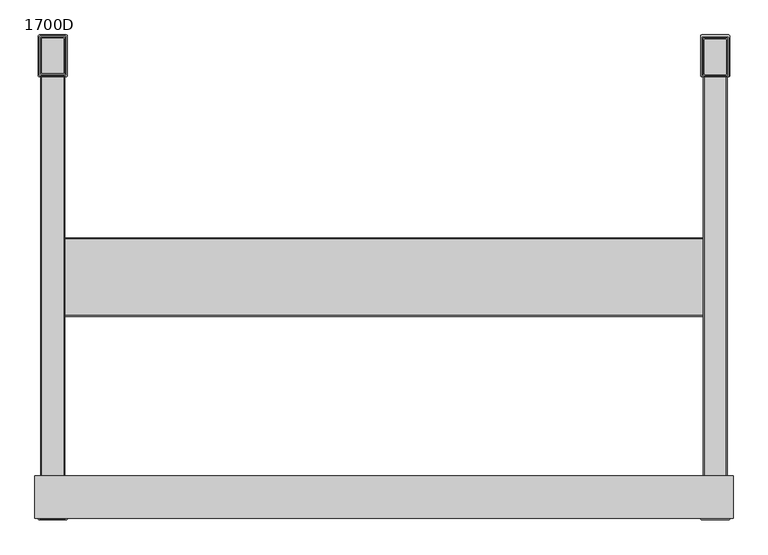
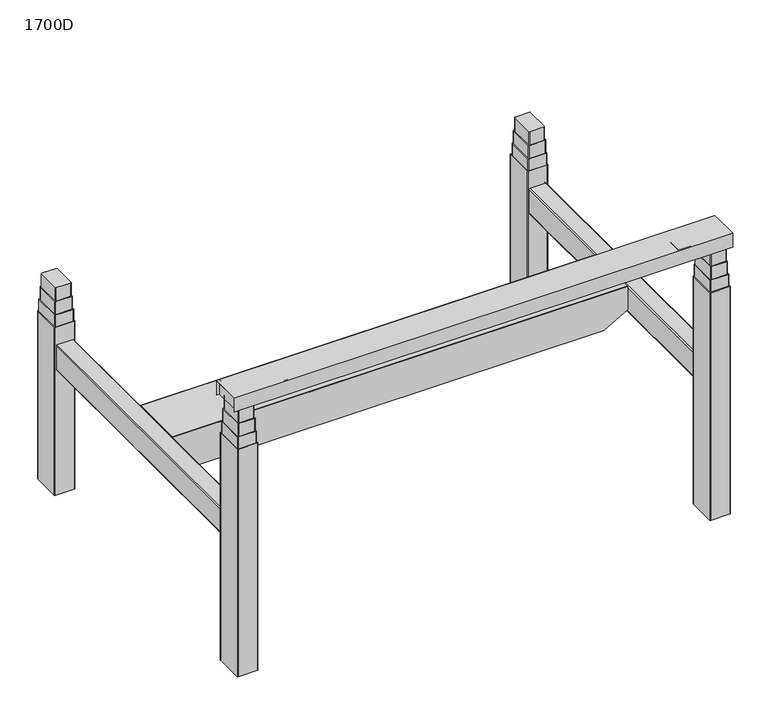
"""IFC4 building model written with IfcOpenShell, lengths in millimetres: furniture geometry, 1700D."""

from ifc_helpers import new_model, si_unit, point, frame, frame_2d, origin, origin_with_axes, place, context, project, spatial, polyline, circle_curve, ellipse_curve, trimmed, segment, composite_curve, outline, extrude, source, transform, mapped, element, save
from ifc_brep_helpers import plane_surface, cylinder_surface, revolved_surface, advanced_brep


def furniture_1700d_5d638f03(model_context):
    return source(origin(), model_context, "Body", "SolidModel", [
        extrude(outline(composite_curve([segment(trimmed(circle_curve(frame_2d((728.3996317, 462.4319041)), 2.0), [point((728.3996317, 460.4319041))], [point((726.3996317, 462.4319041))], False, "CARTESIAN"), True, "CONTINUOUS"), segment(polyline([(726.3996317, 462.4319041), (726.3996317, 538.4320598)]), True, "CONTINUOUS"), segment(trimmed(circle_curve(frame_2d((728.3996317, 538.4320598)), 2.0), [point((726.3996317, 538.4320598))], [point((728.3996317, 540.4320598))], False, "CARTESIAN"), True, "CONTINUOUS"), segment(polyline([(728.3996317, 540.4320598), (774.3996805, 540.4320598)]), True, "CONTINUOUS"), segment(trimmed(circle_curve(frame_2d((774.3996805, 538.4320598)), 2.0), [point((774.3996805, 540.4320598))], [point((776.3996805, 538.4320598))], False, "CARTESIAN"), True, "CONTINUOUS"), segment(polyline([(776.3996805, 538.4320598), (776.3996805, 462.4319041)]), True, "CONTINUOUS"), segment(trimmed(circle_curve(frame_2d((774.3996805, 462.4319041)), 2.0), [point((776.3996805, 462.4319041))], [point((774.3996805, 460.4319041))], False, "CARTESIAN"), True, "CONTINUOUS"), segment(polyline([(774.3996805, 460.4319041), (728.3996317, 460.4319041)]), True, "CONTINUOUS")], self_intersect=False)), frame((0.0, 0.0, 646.4791092), z_axis=(0.0, 0.0, 1.0), x_axis=(1.0, 0.0, 0.0)), (0.0, 0.0, 1.0), 45.0256334),
        extrude(outline(composite_curve([segment(polyline([(-728.3996317, 462.8319041), (-774.3996805, 462.8319041)]), True, "CONTINUOUS"), segment(trimmed(circle_curve(frame_2d((-774.3996805, 464.8319041)), 2.0), [point((-774.3996805, 462.8319041))], [point((-776.3996805, 464.8319041))], False, "CARTESIAN"), True, "CONTINUOUS"), segment(polyline([(-776.3996805, 464.8319041), (-776.3996805, 540.8320598)]), True, "CONTINUOUS"), segment(trimmed(circle_curve(frame_2d((-774.3996805, 540.8320598)), 2.0), [point((-776.3996805, 540.8320598))], [point((-774.3996805, 542.8320598))], False, "CARTESIAN"), True, "CONTINUOUS"), segment(polyline([(-774.3996805, 542.8320598), (-728.3996317, 542.8320598)]), True, "CONTINUOUS"), segment(trimmed(circle_curve(frame_2d((-728.3996317, 540.8320598)), 2.0), [point((-728.3996317, 542.8320598))], [point((-726.3996317, 540.8320598))], False, "CARTESIAN"), True, "CONTINUOUS"), segment(polyline([(-726.3996317, 540.8320598), (-726.3996317, 464.8319041)]), True, "CONTINUOUS"), segment(trimmed(circle_curve(frame_2d((-728.3996317, 464.8319041)), 2.0), [point((-726.3996317, 464.8319041))], [point((-728.3996317, 462.8319041))], False, "CARTESIAN"), True, "CONTINUOUS")], self_intersect=False)), frame((0.0, 0.0, 646.4791092), z_axis=(0.0, 0.0, 1.0), x_axis=(1.0, 0.0, 0.0)), (0.0, 0.0, 1.0), 45.0256334),
        extrude(outline(composite_curve([segment(trimmed(circle_curve(frame_2d((725.8974588, 459.9312816)), 2.0), [point((725.8974588, 457.9312816))], [point((723.8974588, 459.9312816))], False, "CARTESIAN"), True, "CONTINUOUS"), segment(polyline([(723.8974588, 459.9312816), (723.8974588, 540.9307445)]), True, "CONTINUOUS"), segment(trimmed(circle_curve(frame_2d((725.8974588, 540.9307445)), 2.0), [point((723.8974588, 540.9307445))], [point((725.8974588, 542.9307445))], False, "CARTESIAN"), True, "CONTINUOUS"), segment(polyline([(725.8974588, 542.9307445), (776.8984985, 542.9307445)]), True, "CONTINUOUS"), segment(trimmed(circle_curve(frame_2d((776.8984985, 540.9307445)), 2.0), [point((776.8984985, 542.9307445))], [point((778.8984985, 540.9307445))], False, "CARTESIAN"), True, "CONTINUOUS"), segment(polyline([(778.8984985, 540.9307445), (778.8984985, 459.9312816)]), True, "CONTINUOUS"), segment(trimmed(circle_curve(frame_2d((776.8984985, 459.9312816)), 2.0), [point((778.8984985, 459.9312816))], [point((776.8984985, 457.9312816))], False, "CARTESIAN"), True, "CONTINUOUS"), segment(polyline([(776.8984985, 457.9312816), (725.8974588, 457.9312816)]), True, "CONTINUOUS")], self_intersect=False)), frame((0.0, 0.0, 603.4550737), z_axis=(0.0, 0.0, 1.0), x_axis=(1.0, 0.0, 0.0)), (0.0, 0.0, 1.0), 43.0240355),
        extrude(outline(composite_curve([segment(polyline([(-725.8974588, 460.3312816), (-776.8973977, 460.3312816)]), True, "CONTINUOUS"), segment(trimmed(circle_curve(frame_2d((-776.8973977, 462.3312816)), 2.0), [point((-776.8973977, 460.3312816))], [point((-778.8973977, 462.3312816))], False, "CARTESIAN"), True, "CONTINUOUS"), segment(polyline([(-778.8973977, 462.3312816), (-778.8973977, 543.3307445)]), True, "CONTINUOUS"), segment(trimmed(circle_curve(frame_2d((-776.8973977, 543.3307445)), 2.0), [point((-778.8973977, 543.3307445))], [point((-776.8973977, 545.3307445))], False, "CARTESIAN"), True, "CONTINUOUS"), segment(polyline([(-776.8973977, 545.3307445), (-725.8974588, 545.3307445)]), True, "CONTINUOUS"), segment(trimmed(circle_curve(frame_2d((-725.8974588, 543.3307445)), 2.0), [point((-725.8974588, 545.3307445))], [point((-723.8974588, 543.3307445))], False, "CARTESIAN"), True, "CONTINUOUS"), segment(polyline([(-723.8974588, 543.3307445), (-723.8974588, 462.3312816)]), True, "CONTINUOUS"), segment(trimmed(circle_curve(frame_2d((-725.8974588, 462.3312816)), 2.0), [point((-723.8974588, 462.3312816))], [point((-725.8974588, 460.3312816))], False, "CARTESIAN"), True, "CONTINUOUS")], self_intersect=False)), frame((0.0, 0.0, 603.4550737), z_axis=(0.0, 0.0, 1.0), x_axis=(1.0, 0.0, 0.0)), (0.0, 0.0, 1.0), 43.0240355),
        extrude(outline(composite_curve([segment(trimmed(circle_curve(frame_2d((723.3983866, 457.5376292)), 2.0), [point((723.3983866, 455.5376292))], [point((721.3983866, 457.5376292))], False, "CARTESIAN"), True, "CONTINUOUS"), segment(polyline([(721.3983866, 457.5376292), (721.3983866, 543.3794322)]), True, "CONTINUOUS"), segment(trimmed(circle_curve(frame_2d((723.3983866, 543.3794322)), 2.0), [point((721.3983866, 543.3794322))], [point((723.3983866, 545.3794322))], False, "CARTESIAN"), True, "CONTINUOUS"), segment(polyline([(723.3983866, 545.3794322), (779.4132014, 545.3794322)]), True, "CONTINUOUS"), segment(trimmed(circle_curve(frame_2d((779.4132014, 543.3794322)), 2.0), [point((779.4132014, 545.3794322))], [point((781.4132014, 543.3794322))], False, "CARTESIAN"), True, "CONTINUOUS"), segment(polyline([(781.4132014, 543.3794322), (781.4132014, 457.5376292)]), True, "CONTINUOUS"), segment(trimmed(circle_curve(frame_2d((779.4132014, 457.5376292)), 2.0), [point((781.4132014, 457.5376292))], [point((779.4132014, 455.5376292))], False, "CARTESIAN"), True, "CONTINUOUS"), segment(polyline([(779.4132014, 455.5376292), (723.3983866, 455.5376292)]), True, "CONTINUOUS")], self_intersect=False)), frame((0.0, 0.0, 564.2068252), z_axis=(0.0, 0.0, 1.0), x_axis=(1.0, 0.0, 0.0)), (0.0, 0.0, 1.0), 39.2482485),
        extrude(outline(composite_curve([segment(polyline([(-723.3983866, 457.9376292), (-779.4114566, 457.9376292)]), True, "CONTINUOUS"), segment(trimmed(circle_curve(frame_2d((-779.4114566, 459.9376292)), 2.0), [point((-779.4114566, 457.9376292))], [point((-781.4114566, 459.9376292))], False, "CARTESIAN"), True, "CONTINUOUS"), segment(polyline([(-781.4114566, 459.9376292), (-781.4114566, 545.9352367)]), True, "CONTINUOUS"), segment(trimmed(circle_curve(frame_2d((-779.4114566, 545.9352367)), 2.0), [point((-781.4114566, 545.9352367))], [point((-779.4114566, 547.9352367))], False, "CARTESIAN"), True, "CONTINUOUS"), segment(polyline([(-779.4114566, 547.9352367), (-723.3983866, 547.9352367)]), True, "CONTINUOUS"), segment(trimmed(circle_curve(frame_2d((-723.3983866, 545.9352367)), 2.0), [point((-723.3983866, 547.9352367))], [point((-721.3983866, 545.9352367))], False, "CARTESIAN"), True, "CONTINUOUS"), segment(polyline([(-721.3983866, 545.9352367), (-721.3983866, 459.9376292)]), True, "CONTINUOUS"), segment(trimmed(circle_curve(frame_2d((-723.3983866, 459.9376292)), 2.0), [point((-721.3983866, 459.9376292))], [point((-723.3983866, 457.9376292))], False, "CARTESIAN"), True, "CONTINUOUS")], self_intersect=False)), frame((0.0, 0.0, 564.2068252), z_axis=(0.0, 0.0, 1.0), x_axis=(1.0, 0.0, 0.0)), (0.0, 0.0, 1.0), 39.2482485),
        extrude(outline(composite_curve([segment(trimmed(circle_curve(frame_2d((720.5708642, 457.3327495)), 2.0), [point((720.5708642, 455.3327495))], [point((718.5708642, 457.3327495))], False, "CARTESIAN"), True, "CONTINUOUS"), segment(polyline([(718.5708642, 457.3327495), (718.5708642, 548.2883848)]), True, "CONTINUOUS"), segment(trimmed(circle_curve(frame_2d((720.5708642, 548.2883848)), 2.0), [point((718.5708642, 548.2883848))], [point((720.5708642, 550.2883848))], False, "CARTESIAN"), True, "CONTINUOUS"), segment(polyline([(720.5708642, 550.2883848), (781.577537, 550.2883848)]), True, "CONTINUOUS"), segment(trimmed(circle_curve(frame_2d((781.577537, 548.2883848)), 2.0), [point((781.577537, 550.2883848))], [point((783.577537, 548.2883848))], False, "CARTESIAN"), True, "CONTINUOUS"), segment(polyline([(783.577537, 548.2883848), (783.577537, 457.3327495)]), True, "CONTINUOUS"), segment(trimmed(circle_curve(frame_2d((781.577537, 457.3327495)), 2.0), [point((783.577537, 457.3327495))], [point((781.577537, 455.3327495))], False, "CARTESIAN"), True, "CONTINUOUS"), segment(polyline([(781.577537, 455.3327495), (720.5708642, 455.3327495)]), True, "CONTINUOUS")], self_intersect=False)), origin_with_axes(), (0.0, 0.0, 1.0), 564.2068252),
        extrude(outline(composite_curve([segment(polyline([(-720.5708642, 455.3327495), (-781.577537, 455.3327495)]), True, "CONTINUOUS"), segment(trimmed(circle_curve(frame_2d((-781.577537, 457.3327495)), 2.0), [point((-781.577537, 455.3327495))], [point((-783.577537, 457.3327495))], False, "CARTESIAN"), True, "CONTINUOUS"), segment(polyline([(-783.577537, 457.3327495), (-783.577537, 548.2883848)]), True, "CONTINUOUS"), segment(trimmed(circle_curve(frame_2d((-781.577537, 548.2883848)), 2.0), [point((-783.577537, 548.2883848))], [point((-781.577537, 550.2883848))], False, "CARTESIAN"), True, "CONTINUOUS"), segment(polyline([(-781.577537, 550.2883848), (-720.5708642, 550.2883848)]), True, "CONTINUOUS"), segment(trimmed(circle_curve(frame_2d((-720.5708642, 548.2883848)), 2.0), [point((-720.5708642, 550.2883848))], [point((-718.5708642, 548.2883848))], False, "CARTESIAN"), True, "CONTINUOUS"), segment(polyline([(-718.5708642, 548.2883848), (-718.5708642, 457.3327495)]), True, "CONTINUOUS"), segment(trimmed(circle_curve(frame_2d((-720.5708642, 457.3327495)), 2.0), [point((-718.5708642, 457.3327495))], [point((-720.5708642, 455.3327495))], False, "CARTESIAN"), True, "CONTINUOUS")], self_intersect=False)), origin_with_axes(), (0.0, 0.0, 1.0), 564.2068252),
        extrude(outline(composite_curve([segment(trimmed(circle_curve(frame_2d((-728.3996317, -464.8319041)), 2.0), [point((-728.3996317, -462.8319041))], [point((-726.3996317, -464.8319041))], False, "CARTESIAN"), True, "CONTINUOUS"), segment(polyline([(-726.3996317, -464.8319041), (-726.3996317, -540.8320598)]), True, "CONTINUOUS"), segment(trimmed(circle_curve(frame_2d((-728.3996317, -540.8320598)), 2.0), [point((-726.3996317, -540.8320598))], [point((-728.3996317, -542.8320598))], False, "CARTESIAN"), True, "CONTINUOUS"), segment(polyline([(-728.3996317, -542.8320598), (-774.3996805, -542.8320598)]), True, "CONTINUOUS"), segment(trimmed(circle_curve(frame_2d((-774.3996805, -540.8320598)), 2.0), [point((-774.3996805, -542.8320598))], [point((-776.3996805, -540.8320598))], False, "CARTESIAN"), True, "CONTINUOUS"), segment(polyline([(-776.3996805, -540.8320598), (-776.3996805, -464.8319041)]), True, "CONTINUOUS"), segment(trimmed(circle_curve(frame_2d((-774.3996805, -464.8319041)), 2.0), [point((-776.3996805, -464.8319041))], [point((-774.3996805, -462.8319041))], False, "CARTESIAN"), True, "CONTINUOUS"), segment(polyline([(-774.3996805, -462.8319041), (-728.3996317, -462.8319041)]), True, "CONTINUOUS")], self_intersect=False)), frame((0.0, 0.0, 846.4791092), z_axis=(0.0, 0.0, 1.0), x_axis=(1.0, 0.0, 0.0)), (0.0, 0.0, 1.0), 45.0256334),
        extrude(outline(composite_curve([segment(polyline([(728.3996317, -460.4319041), (774.3996805, -460.4319041)]), True, "CONTINUOUS"), segment(trimmed(circle_curve(frame_2d((774.3996805, -462.4319041)), 2.0), [point((774.3996805, -460.4319041))], [point((776.3996805, -462.4319041))], False, "CARTESIAN"), True, "CONTINUOUS"), segment(polyline([(776.3996805, -462.4319041), (776.3996805, -538.4320598)]), True, "CONTINUOUS"), segment(trimmed(circle_curve(frame_2d((774.3996805, -538.4320598)), 2.0), [point((776.3996805, -538.4320598))], [point((774.3996805, -540.4320598))], False, "CARTESIAN"), True, "CONTINUOUS"), segment(polyline([(774.3996805, -540.4320598), (728.3996317, -540.4320598)]), True, "CONTINUOUS"), segment(trimmed(circle_curve(frame_2d((728.3996317, -538.4320598)), 2.0), [point((728.3996317, -540.4320598))], [point((726.3996317, -538.4320598))], False, "CARTESIAN"), True, "CONTINUOUS"), segment(polyline([(726.3996317, -538.4320598), (726.3996317, -462.4319041)]), True, "CONTINUOUS"), segment(trimmed(circle_curve(frame_2d((728.3996317, -462.4319041)), 2.0), [point((726.3996317, -462.4319041))], [point((728.3996317, -460.4319041))], False, "CARTESIAN"), True, "CONTINUOUS")], self_intersect=False)), frame((0.0, 0.0, 846.4791092), z_axis=(0.0, 0.0, 1.0), x_axis=(1.0, 0.0, 0.0)), (0.0, 0.0, 1.0), 45.0256334),
        extrude(outline(composite_curve([segment(polyline([(725.8974588, -457.9312816), (776.8984985, -457.9312816)]), True, "CONTINUOUS"), segment(trimmed(circle_curve(frame_2d((776.8984985, -459.9312816)), 2.0), [point((776.8984985, -457.9312816))], [point((778.8984985, -459.9312816))], False, "CARTESIAN"), True, "CONTINUOUS"), segment(polyline([(778.8984985, -459.9312816), (778.8984985, -540.9307445)]), True, "CONTINUOUS"), segment(trimmed(circle_curve(frame_2d((776.8984985, -540.9307445)), 2.0), [point((778.8984985, -540.9307445))], [point((776.8984985, -542.9307445))], False, "CARTESIAN"), True, "CONTINUOUS"), segment(polyline([(776.8984985, -542.9307445), (725.8974588, -542.9307445)]), True, "CONTINUOUS"), segment(trimmed(circle_curve(frame_2d((725.8974588, -540.9307445)), 2.0), [point((725.8974588, -542.9307445))], [point((723.8974588, -540.9307445))], False, "CARTESIAN"), True, "CONTINUOUS"), segment(polyline([(723.8974588, -540.9307445), (723.8974588, -459.9312816)]), True, "CONTINUOUS"), segment(trimmed(circle_curve(frame_2d((725.8974588, -459.9312816)), 2.0), [point((723.8974588, -459.9312816))], [point((725.8974588, -457.9312816))], False, "CARTESIAN"), True, "CONTINUOUS")], self_intersect=False)), frame((0.0, 0.0, 803.4550737), z_axis=(0.0, 0.0, 1.0), x_axis=(1.0, 0.0, 0.0)), (0.0, 0.0, 1.0), 43.0240355),
        extrude(outline(composite_curve([segment(trimmed(circle_curve(frame_2d((-725.8974588, -462.3312816)), 2.0), [point((-725.8974588, -460.3312816))], [point((-723.8974588, -462.3312816))], False, "CARTESIAN"), True, "CONTINUOUS"), segment(polyline([(-723.8974588, -462.3312816), (-723.8974588, -543.3307445)]), True, "CONTINUOUS"), segment(trimmed(circle_curve(frame_2d((-725.8974588, -543.3307445)), 2.0), [point((-723.8974588, -543.3307445))], [point((-725.8974588, -545.3307445))], False, "CARTESIAN"), True, "CONTINUOUS"), segment(polyline([(-725.8974588, -545.3307445), (-776.8973977, -545.3307445)]), True, "CONTINUOUS"), segment(trimmed(circle_curve(frame_2d((-776.8973977, -543.3307445)), 2.0), [point((-776.8973977, -545.3307445))], [point((-778.8973977, -543.3307445))], False, "CARTESIAN"), True, "CONTINUOUS"), segment(polyline([(-778.8973977, -543.3307445), (-778.8973977, -462.3312816)]), True, "CONTINUOUS"), segment(trimmed(circle_curve(frame_2d((-776.8973977, -462.3312816)), 2.0), [point((-778.8973977, -462.3312816))], [point((-776.8973977, -460.3312816))], False, "CARTESIAN"), True, "CONTINUOUS"), segment(polyline([(-776.8973977, -460.3312816), (-725.8974588, -460.3312816)]), True, "CONTINUOUS")], self_intersect=False)), frame((0.0, 0.0, 803.4550737), z_axis=(0.0, 0.0, 1.0), x_axis=(1.0, 0.0, 0.0)), (0.0, 0.0, 1.0), 43.0240355),
        extrude(outline(composite_curve([segment(polyline([(723.3983866, -455.5376292), (779.4132014, -455.5376292)]), True, "CONTINUOUS"), segment(trimmed(circle_curve(frame_2d((779.4132014, -457.5376292)), 2.0), [point((779.4132014, -455.5376292))], [point((781.4132014, -457.5376292))], False, "CARTESIAN"), True, "CONTINUOUS"), segment(polyline([(781.4132014, -457.5376292), (781.4132014, -543.3794322)]), True, "CONTINUOUS"), segment(trimmed(circle_curve(frame_2d((779.4132014, -543.3794322)), 2.0), [point((781.4132014, -543.3794322))], [point((779.4132014, -545.3794322))], False, "CARTESIAN"), True, "CONTINUOUS"), segment(polyline([(779.4132014, -545.3794322), (723.3983866, -545.3794322)]), True, "CONTINUOUS"), segment(trimmed(circle_curve(frame_2d((723.3983866, -543.3794322)), 2.0), [point((723.3983866, -545.3794322))], [point((721.3983866, -543.3794322))], False, "CARTESIAN"), True, "CONTINUOUS"), segment(polyline([(721.3983866, -543.3794322), (721.3983866, -457.5376292)]), True, "CONTINUOUS"), segment(trimmed(circle_curve(frame_2d((723.3983866, -457.5376292)), 2.0), [point((721.3983866, -457.5376292))], [point((723.3983866, -455.5376292))], False, "CARTESIAN"), True, "CONTINUOUS")], self_intersect=False)), frame((0.0, 0.0, 764.2068252), z_axis=(0.0, 0.0, 1.0), x_axis=(1.0, 0.0, 0.0)), (0.0, 0.0, 1.0), 39.2482485),
        extrude(outline(composite_curve([segment(trimmed(circle_curve(frame_2d((-723.3983866, -459.9376292)), 2.0), [point((-723.3983866, -457.9376292))], [point((-721.3983866, -459.9376292))], False, "CARTESIAN"), True, "CONTINUOUS"), segment(polyline([(-721.3983866, -459.9376292), (-721.3983866, -545.9352367)]), True, "CONTINUOUS"), segment(trimmed(circle_curve(frame_2d((-723.3983866, -545.9352367)), 2.0), [point((-721.3983866, -545.9352367))], [point((-723.3983866, -547.9352367))], False, "CARTESIAN"), True, "CONTINUOUS"), segment(polyline([(-723.3983866, -547.9352367), (-779.4114566, -547.9352367)]), True, "CONTINUOUS"), segment(trimmed(circle_curve(frame_2d((-779.4114566, -545.9352367)), 2.0), [point((-779.4114566, -547.9352367))], [point((-781.4114566, -545.9352367))], False, "CARTESIAN"), True, "CONTINUOUS"), segment(polyline([(-781.4114566, -545.9352367), (-781.4114566, -459.9376292)]), True, "CONTINUOUS"), segment(trimmed(circle_curve(frame_2d((-779.4114566, -459.9376292)), 2.0), [point((-781.4114566, -459.9376292))], [point((-779.4114566, -457.9376292))], False, "CARTESIAN"), True, "CONTINUOUS"), segment(polyline([(-779.4114566, -457.9376292), (-723.3983866, -457.9376292)]), True, "CONTINUOUS")], self_intersect=False)), frame((0.0, 0.0, 764.2068252), z_axis=(0.0, 0.0, 1.0), x_axis=(1.0, 0.0, 0.0)), (0.0, 0.0, 1.0), 39.2482485),
        extrude(outline(composite_curve([segment(trimmed(circle_curve(frame_2d((-720.5708642, -457.3327495)), 2.0), [point((-720.5708642, -455.3327495))], [point((-718.5708642, -457.3327495))], False, "CARTESIAN"), True, "CONTINUOUS"), segment(polyline([(-718.5708642, -457.3327495), (-718.5708642, -548.2883848)]), True, "CONTINUOUS"), segment(trimmed(circle_curve(frame_2d((-720.5708642, -548.2883848)), 2.0), [point((-718.5708642, -548.2883848))], [point((-720.5708642, -550.2883848))], False, "CARTESIAN"), True, "CONTINUOUS"), segment(polyline([(-720.5708642, -550.2883848), (-781.577537, -550.2883848)]), True, "CONTINUOUS"), segment(trimmed(circle_curve(frame_2d((-781.577537, -548.2883848)), 2.0), [point((-781.577537, -550.2883848))], [point((-783.577537, -548.2883848))], False, "CARTESIAN"), True, "CONTINUOUS"), segment(polyline([(-783.577537, -548.2883848), (-783.577537, -457.3327495)]), True, "CONTINUOUS"), segment(trimmed(circle_curve(frame_2d((-781.577537, -457.3327495)), 2.0), [point((-783.577537, -457.3327495))], [point((-781.577537, -455.3327495))], False, "CARTESIAN"), True, "CONTINUOUS"), segment(polyline([(-781.577537, -455.3327495), (-720.5708642, -455.3327495)]), True, "CONTINUOUS")], self_intersect=False)), origin_with_axes(), (0.0, 0.0, 1.0), 764.2068252),
        extrude(outline(composite_curve([segment(polyline([(720.5708642, -455.3327495), (781.577537, -455.3327495)]), True, "CONTINUOUS"), segment(trimmed(circle_curve(frame_2d((781.577537, -457.3327495)), 2.0), [point((781.577537, -455.3327495))], [point((783.577537, -457.3327495))], False, "CARTESIAN"), True, "CONTINUOUS"), segment(polyline([(783.577537, -457.3327495), (783.577537, -548.2883848)]), True, "CONTINUOUS"), segment(trimmed(circle_curve(frame_2d((781.577537, -548.2883848)), 2.0), [point((783.577537, -548.2883848))], [point((781.577537, -550.2883848))], False, "CARTESIAN"), True, "CONTINUOUS"), segment(polyline([(781.577537, -550.2883848), (720.5708642, -550.2883848)]), True, "CONTINUOUS"), segment(trimmed(circle_curve(frame_2d((720.5708642, -548.2883848)), 2.0), [point((720.5708642, -550.2883848))], [point((718.5708642, -548.2883848))], False, "CARTESIAN"), True, "CONTINUOUS"), segment(polyline([(718.5708642, -548.2883848), (718.5708642, -457.3327495)]), True, "CONTINUOUS"), segment(trimmed(circle_curve(frame_2d((720.5708642, -457.3327495)), 2.0), [point((718.5708642, -457.3327495))], [point((720.5708642, -455.3327495))], False, "CARTESIAN"), True, "CONTINUOUS")], self_intersect=False)), origin_with_axes(), (0.0, 0.0, 1.0), 764.2068252),
        extrude(outline(polyline([(647.2360611, 86.80003), (647.2360611, -86.80003), (-647.7639389, -86.80003), (-647.7639389, 86.80003), (647.2360611, 86.80003)])), frame((0.0, 0.0, 384.6749427), z_axis=(0.0, 0.0, 1.0), x_axis=(1.0, 0.0, 0.0)), (0.0, 0.0, 1.0), 1.1651018),
        extrude(outline(polyline([(505.0327586, -723.5069859), (430.3034231, -723.5069859), (384.6749427, -647.7639389), (384.6749427, 647.2360611), (428.3161968, 723.5069859), (505.0327586, 723.5069859), (505.0327586, -723.5069859)])), frame((0.0, -88.8000502, 0.0), z_axis=(0.0, 1.0, 0.0), x_axis=(0.0, 0.0, 1.0)), (0.0, 0.0, 1.0), 2.0000202),
        extrude(outline(polyline([(723.5069859, 86.80003), (723.5069859, -86.80003), (-723.5069859, -86.80003), (-723.5069859, 86.80003), (723.5069859, 86.80003)])), frame((0.0, 0.0, 503.3021681), z_axis=(0.0, 0.0, 1.0), x_axis=(1.0, 0.0, 0.0)), (0.0, 0.0, 1.0), 1.7305905),
        extrude(outline(polyline([(505.0327586, -723.5069859), (430.3034231, -723.5069859), (384.6749427, -647.7639389), (384.6749427, 647.2360611), (428.3161968, 723.5069859), (505.0327586, 723.5069859), (505.0327586, -723.5069859)])), frame((0.0, 86.80003, 0.0), z_axis=(0.0, 1.0, 0.0), x_axis=(0.0, 0.0, 1.0)), (0.0, 0.0, 1.0), 2.0000202),
        extrude(outline(polyline([(-783.577537, -453.3482098), (-621.0574382, -453.3482098), (-621.0574382, -543.9504314), (-783.577537, -543.9504314), (-783.577537, -453.3482098)])), frame((0.0, 0.0, 891.5047426), z_axis=(0.0, 0.0, 1.0), x_axis=(1.0, 0.0, 0.0)), (0.0, 0.0, 1.0), 47.6061249),
        extrude(outline(polyline([(791.6392871, -453.3482098), (791.6392871, -543.9504314), (621.0574382, -543.9504314), (621.0574382, -453.3482098), (791.6392871, -453.3482098)])), frame((0.0, 0.0, 891.5047426), z_axis=(0.0, 0.0, 1.0), x_axis=(1.0, 0.0, 0.0)), (0.0, 0.0, 1.0), 47.6061249),
        extrude(outline(polyline([(-547.344035, 940.0), (-450.5421795, 940.0), (-450.5421795, 891.5047426), (-451.9421795, 891.5047426), (-451.9421795, 939.1108675), (-545.9449098, 939.1108675), (-545.9449098, 891.5047426), (-547.344035, 891.5047426), (-547.344035, 940.0)])), frame((-791.6392613, 0.0, 0.0), z_axis=(1.0, 0.0, 0.0), x_axis=(0.0, 1.0, 0.0)), (0.0, 0.0, 1.0), 1583.2785484),
        advanced_brep(
        [(774.8213573, 499.2554852, 0.0), (726.3350461, 499.2554852, 0.0), (750.5782017, 499.2554852, 0.0), (774.8213573, 499.2554852, 4.7486355), (726.3350461, 499.2554852, 4.7486355), (753.9989006, 499.2554852, 8.0066122), (747.1575028, 499.2554852, 8.0066122), (753.9989006, 499.2554852, 22.507611), (747.1575028, 499.2554852, 22.507611), (750.5782017, 499.2554852, 22.507611)],
        [
            (0, 1, circle_curve(frame((750.5782017, 499.2554852, 0.0), z_axis=(0.0, 0.0, -1.0), x_axis=(-1.0, 0.0, 0.0)), 24.2431556)),
            (1, 2),
            (2, 0),
            (1, 0, circle_curve(frame((750.5782017, 499.2554852, 0.0), z_axis=(0.0, 0.0, -1.0), x_axis=(-1.0, 0.0, 0.0)), 24.2431556)),
            (3, 4, circle_curve(frame((750.5782017, 499.2554852, 4.7486355), z_axis=(0.0, 0.0, -1.0), x_axis=(-1.0, 0.0, 0.0)), 24.2431556)),
            (4, 1),
            (0, 3),
            (4, 3, circle_curve(frame((750.5782017, 499.2554852, 4.7486355), z_axis=(0.0, 0.0, -1.0), x_axis=(-1.0, 0.0, 0.0)), 24.2431556)),
            (5, 6, circle_curve(frame((750.5782017, 499.2554852, 8.0066122), z_axis=(0.0, 0.0, -1.0), x_axis=(-1.0, 0.0, 0.0)), 3.4206989)),
            (6, 4, circle_curve(frame((746.210294, 499.2554852, -54.1090384), z_axis=(0.0, -1.0, 0.0), x_axis=(-1.0, 0.0, 0.0)), 62.1228723)),
            (3, 5, circle_curve(frame((754.9461095, 499.2554852, -54.1090384), z_axis=(0.0, -1.0, 0.0), x_axis=(1.0, 0.0, 0.0)), 62.1228723)),
            (6, 5, circle_curve(frame((750.5782017, 499.2554852, 8.0066122), z_axis=(0.0, 0.0, -1.0), x_axis=(-1.0, 0.0, 0.0)), 3.4206989)),
            (7, 8, circle_curve(frame((750.5782017, 499.2554852, 22.507611), z_axis=(0.0, 0.0, -1.0), x_axis=(-1.0, 0.0, 0.0)), 3.4206989)),
            (8, 6),
            (5, 7),
            (8, 7, circle_curve(frame((750.5782017, 499.2554852, 22.507611), z_axis=(0.0, 0.0, -1.0), x_axis=(-1.0, 0.0, 0.0)), 3.4206989)),
            (9, 8),
            (7, 9),
        ],
        [
            plane_surface(frame((750.5782017, 499.2554852, 0.0), z_axis=(0.0, 0.0, -1.0), x_axis=(-1.0, 0.0, 0.0))),
            cylinder_surface(frame((750.5782017, 499.2554852, 22.507611), z_axis=(0.0, 0.0, 1.0), x_axis=(-1.0, 0.0, 0.0)), 24.2431556),
            revolved_surface(trimmed(ellipse_curve(frame((746.210294, 499.2554852, -54.1090384), z_axis=(0.0, 1.0, 0.0), x_axis=(-1.0, 0.0, 0.0)), 62.1228723, 62.1228723), [point((726.3350461, 499.2554852, 4.7486355))], [point((747.1575028, 499.2554852, 8.0066122))], True, "CARTESIAN"), (750.5782017, 499.2554852, 22.507611), (0.0, 0.0, 1.0)),
            cylinder_surface(frame((750.5782017, 499.2554852, 22.507611), z_axis=(0.0, 0.0, 1.0), x_axis=(-1.0, 0.0, 0.0)), 3.4206989),
            plane_surface(frame((750.5782017, 499.2554852, 22.507611), z_axis=(0.0, 0.0, 1.0), x_axis=(-1.0, 0.0, 0.0))),
        ],
        [
            (0, [[1, 2, 3]]),
            (0, [[4, -3, -2]]),
            (1, [[5, 6, -1, 7]]),
            (1, [[8, -7, -4, -6]]),
            (2, [[9, 10, -5, 11]]),
            (2, [[12, -11, -8, -10]]),
            (3, [[13, 14, -9, 15]]),
            (3, [[16, -15, -12, -14]]),
            (4, [[17, -13, 18]]),
            (4, [[-18, -16, -17]]),
        ],
    ),
        advanced_brep(
        [(750.5782017, -499.2554852, 0.0), (726.3350461, -499.2554852, 0.0), (774.8213573, -499.2554852, 0.0), (726.3350461, -499.2554852, 4.7486355), (774.8213573, -499.2554852, 4.7486355), (747.1575028, -499.2554852, 8.0066122), (753.9989006, -499.2554852, 8.0066122), (747.1575028, -499.2554852, 22.507611), (753.9989006, -499.2554852, 22.507611), (750.5782017, -499.2554852, 22.507611)],
        [
            (0, 1),
            (1, 2, circle_curve(frame((750.5782017, -499.2554852, 0.0), z_axis=(0.0, 0.0, -1.0), x_axis=(-1.0, 0.0, 0.0)), 24.2431556)),
            (2, 0),
            (2, 1, circle_curve(frame((750.5782017, -499.2554852, 0.0), z_axis=(0.0, 0.0, -1.0), x_axis=(-1.0, 0.0, 0.0)), 24.2431556)),
            (1, 3),
            (3, 4, circle_curve(frame((750.5782017, -499.2554852, 4.7486355), z_axis=(0.0, 0.0, -1.0), x_axis=(-1.0, 0.0, 0.0)), 24.2431556)),
            (4, 2),
            (4, 3, circle_curve(frame((750.5782017, -499.2554852, 4.7486355), z_axis=(0.0, 0.0, -1.0), x_axis=(-1.0, 0.0, 0.0)), 24.2431556)),
            (3, 5, circle_curve(frame((746.210294, -499.2554852, -54.1090384), z_axis=(0.0, 1.0, 0.0), x_axis=(-1.0, 0.0, 0.0)), 62.1228723)),
            (5, 6, circle_curve(frame((750.5782017, -499.2554852, 8.0066122), z_axis=(0.0, 0.0, -1.0), x_axis=(-1.0, 0.0, 0.0)), 3.4206989)),
            (6, 4, circle_curve(frame((754.9461095, -499.2554852, -54.1090384), z_axis=(0.0, 1.0, 0.0), x_axis=(1.0, 0.0, 0.0)), 62.1228723)),
            (6, 5, circle_curve(frame((750.5782017, -499.2554852, 8.0066122), z_axis=(0.0, 0.0, -1.0), x_axis=(-1.0, 0.0, 0.0)), 3.4206989)),
            (5, 7),
            (7, 8, circle_curve(frame((750.5782017, -499.2554852, 22.507611), z_axis=(0.0, 0.0, -1.0), x_axis=(-1.0, 0.0, 0.0)), 3.4206989)),
            (8, 6),
            (8, 7, circle_curve(frame((750.5782017, -499.2554852, 22.507611), z_axis=(0.0, 0.0, -1.0), x_axis=(-1.0, 0.0, 0.0)), 3.4206989)),
            (7, 9),
            (9, 8),
        ],
        [
            plane_surface(frame((750.5782017, -499.2554852, 0.0), z_axis=(0.0, 0.0, -1.0), x_axis=(-1.0, 0.0, 0.0))),
            cylinder_surface(frame((750.5782017, -499.2554852, 22.507611), z_axis=(0.0, 0.0, -1.0), x_axis=(-1.0, 0.0, 0.0)), 24.2431556),
            revolved_surface(trimmed(ellipse_curve(frame((746.210294, -499.2554852, -54.1090384), z_axis=(0.0, -1.0, 0.0), x_axis=(-1.0, 0.0, 0.0)), 62.1228723, 62.1228723), [point((747.1575028, -499.2554852, 8.0066122))], [point((726.3350461, -499.2554852, 4.7486355))], True, "CARTESIAN"), (750.5782017, -499.2554852, 22.507611), (0.0, 0.0, -1.0)),
            cylinder_surface(frame((750.5782017, -499.2554852, 22.507611), z_axis=(0.0, 0.0, -1.0), x_axis=(-1.0, 0.0, 0.0)), 3.4206989),
            plane_surface(frame((750.5782017, -499.2554852, 22.507611), z_axis=(0.0, 0.0, 1.0), x_axis=(-1.0, 0.0, 0.0))),
        ],
        [
            (0, [[1, 2, 3]]),
            (0, [[-3, 4, -1]]),
            (1, [[-2, 5, 6, 7]]),
            (1, [[-4, -7, 8, -5]]),
            (2, [[-6, 9, 10, 11]]),
            (2, [[-8, -11, 12, -9]]),
            (3, [[-10, 13, 14, 15]]),
            (3, [[-12, -15, 16, -13]]),
            (4, [[-14, 17, 18]]),
            (4, [[-16, -18, -17]]),
        ],
    ),
        advanced_brep(
        [(-750.5782017, 499.2554852, 0.0), (-726.3350461, 499.2554852, 0.0), (-774.8213573, 499.2554852, 0.0), (-726.3350461, 499.2554852, 4.7486355), (-774.8213573, 499.2554852, 4.7486355), (-747.1575028, 499.2554852, 8.0066122), (-753.9989006, 499.2554852, 8.0066122), (-747.1575028, 499.2554852, 22.507611), (-753.9989006, 499.2554852, 22.507611), (-750.5782017, 499.2554852, 22.507611)],
        [
            (0, 1),
            (1, 2, circle_curve(frame((-750.5782017, 499.2554852, 0.0), z_axis=(0.0, 0.0, -1.0), x_axis=(1.0, 0.0, 0.0)), 24.2431556)),
            (2, 0),
            (2, 1, circle_curve(frame((-750.5782017, 499.2554852, 0.0), z_axis=(0.0, 0.0, -1.0), x_axis=(1.0, 0.0, 0.0)), 24.2431556)),
            (1, 3),
            (3, 4, circle_curve(frame((-750.5782017, 499.2554852, 4.7486355), z_axis=(0.0, 0.0, -1.0), x_axis=(1.0, 0.0, 0.0)), 24.2431556)),
            (4, 2),
            (4, 3, circle_curve(frame((-750.5782017, 499.2554852, 4.7486355), z_axis=(0.0, 0.0, -1.0), x_axis=(1.0, 0.0, 0.0)), 24.2431556)),
            (3, 5, circle_curve(frame((-746.210294, 499.2554852, -54.1090384), z_axis=(0.0, -1.0, 0.0), x_axis=(1.0, 0.0, 0.0)), 62.1228723)),
            (5, 6, circle_curve(frame((-750.5782017, 499.2554852, 8.0066122), z_axis=(0.0, 0.0, -1.0), x_axis=(1.0, 0.0, 0.0)), 3.4206989)),
            (6, 4, circle_curve(frame((-754.9461095, 499.2554852, -54.1090384), z_axis=(0.0, -1.0, 0.0), x_axis=(-1.0, 0.0, 0.0)), 62.1228723)),
            (6, 5, circle_curve(frame((-750.5782017, 499.2554852, 8.0066122), z_axis=(0.0, 0.0, -1.0), x_axis=(1.0, 0.0, 0.0)), 3.4206989)),
            (5, 7),
            (7, 8, circle_curve(frame((-750.5782017, 499.2554852, 22.507611), z_axis=(0.0, 0.0, -1.0), x_axis=(1.0, 0.0, 0.0)), 3.4206989)),
            (8, 6),
            (8, 7, circle_curve(frame((-750.5782017, 499.2554852, 22.507611), z_axis=(0.0, 0.0, -1.0), x_axis=(1.0, 0.0, 0.0)), 3.4206989)),
            (7, 9),
            (9, 8),
        ],
        [
            plane_surface(frame((-750.5782017, 499.2554852, 0.0), z_axis=(0.0, 0.0, -1.0), x_axis=(1.0, 0.0, 0.0))),
            cylinder_surface(frame((-750.5782017, 499.2554852, 22.507611), z_axis=(0.0, 0.0, -1.0), x_axis=(1.0, 0.0, 0.0)), 24.2431556),
            revolved_surface(trimmed(ellipse_curve(frame((-746.210294, 499.2554852, -54.1090384), z_axis=(0.0, 1.0, 0.0), x_axis=(1.0, 0.0, 0.0)), 62.1228723, 62.1228723), [point((-747.1575028, 499.2554852, 8.0066122))], [point((-726.3350461, 499.2554852, 4.7486355))], True, "CARTESIAN"), (-750.5782017, 499.2554852, 22.507611), (0.0, 0.0, -1.0)),
            cylinder_surface(frame((-750.5782017, 499.2554852, 22.507611), z_axis=(0.0, 0.0, -1.0), x_axis=(1.0, 0.0, 0.0)), 3.4206989),
            plane_surface(frame((-750.5782017, 499.2554852, 22.507611), z_axis=(0.0, 0.0, 1.0), x_axis=(1.0, 0.0, 0.0))),
        ],
        [
            (0, [[1, 2, 3]]),
            (0, [[-3, 4, -1]]),
            (1, [[-2, 5, 6, 7]]),
            (1, [[-4, -7, 8, -5]]),
            (2, [[-6, 9, 10, 11]]),
            (2, [[-8, -11, 12, -9]]),
            (3, [[-10, 13, 14, 15]]),
            (3, [[-12, -15, 16, -13]]),
            (4, [[-14, 17, 18]]),
            (4, [[-16, -18, -17]]),
        ],
    ),
        advanced_brep(
        [(-774.8213573, -499.2554852, 0.0), (-726.3350461, -499.2554852, 0.0), (-750.5782017, -499.2554852, 0.0), (-774.8213573, -499.2554852, 4.7486355), (-726.3350461, -499.2554852, 4.7486355), (-753.9989006, -499.2554852, 8.0066122), (-747.1575028, -499.2554852, 8.0066122), (-753.9989006, -499.2554852, 22.507611), (-747.1575028, -499.2554852, 22.507611), (-750.5782017, -499.2554852, 22.507611)],
        [
            (0, 1, circle_curve(frame((-750.5782017, -499.2554852, 0.0), z_axis=(0.0, 0.0, -1.0), x_axis=(1.0, 0.0, 0.0)), 24.2431556)),
            (1, 2),
            (2, 0),
            (1, 0, circle_curve(frame((-750.5782017, -499.2554852, 0.0), z_axis=(0.0, 0.0, -1.0), x_axis=(1.0, 0.0, 0.0)), 24.2431556)),
            (3, 4, circle_curve(frame((-750.5782017, -499.2554852, 4.7486355), z_axis=(0.0, 0.0, -1.0), x_axis=(1.0, 0.0, 0.0)), 24.2431556)),
            (4, 1),
            (0, 3),
            (4, 3, circle_curve(frame((-750.5782017, -499.2554852, 4.7486355), z_axis=(0.0, 0.0, -1.0), x_axis=(1.0, 0.0, 0.0)), 24.2431556)),
            (5, 6, circle_curve(frame((-750.5782017, -499.2554852, 8.0066122), z_axis=(0.0, 0.0, -1.0), x_axis=(1.0, 0.0, 0.0)), 3.4206989)),
            (6, 4, circle_curve(frame((-746.210294, -499.2554852, -54.1090384), z_axis=(0.0, 1.0, 0.0), x_axis=(1.0, 0.0, 0.0)), 62.1228723)),
            (3, 5, circle_curve(frame((-754.9461095, -499.2554852, -54.1090384), z_axis=(0.0, 1.0, 0.0), x_axis=(-1.0, 0.0, 0.0)), 62.1228723)),
            (6, 5, circle_curve(frame((-750.5782017, -499.2554852, 8.0066122), z_axis=(0.0, 0.0, -1.0), x_axis=(1.0, 0.0, 0.0)), 3.4206989)),
            (7, 8, circle_curve(frame((-750.5782017, -499.2554852, 22.507611), z_axis=(0.0, 0.0, -1.0), x_axis=(1.0, 0.0, 0.0)), 3.4206989)),
            (8, 6),
            (5, 7),
            (8, 7, circle_curve(frame((-750.5782017, -499.2554852, 22.507611), z_axis=(0.0, 0.0, -1.0), x_axis=(1.0, 0.0, 0.0)), 3.4206989)),
            (9, 8),
            (7, 9),
        ],
        [
            plane_surface(frame((-750.5782017, -499.2554852, 0.0), z_axis=(0.0, 0.0, -1.0), x_axis=(1.0, 0.0, 0.0))),
            cylinder_surface(frame((-750.5782017, -499.2554852, 22.507611), z_axis=(0.0, 0.0, 1.0), x_axis=(1.0, 0.0, 0.0)), 24.2431556),
            revolved_surface(trimmed(ellipse_curve(frame((-746.210294, -499.2554852, -54.1090384), z_axis=(0.0, -1.0, 0.0), x_axis=(1.0, 0.0, 0.0)), 62.1228723, 62.1228723), [point((-726.3350461, -499.2554852, 4.7486355))], [point((-747.1575028, -499.2554852, 8.0066122))], True, "CARTESIAN"), (-750.5782017, -499.2554852, 22.507611), (0.0, 0.0, 1.0)),
            cylinder_surface(frame((-750.5782017, -499.2554852, 22.507611), z_axis=(0.0, 0.0, 1.0), x_axis=(1.0, 0.0, 0.0)), 3.4206989),
            plane_surface(frame((-750.5782017, -499.2554852, 22.507611), z_axis=(0.0, 0.0, 1.0), x_axis=(1.0, 0.0, 0.0))),
        ],
        [
            (0, [[1, 2, 3]]),
            (0, [[4, -3, -2]]),
            (1, [[5, 6, -1, 7]]),
            (1, [[8, -7, -4, -6]]),
            (2, [[9, 10, -5, 11]]),
            (2, [[12, -11, -8, -10]]),
            (3, [[13, 14, -9, 15]]),
            (3, [[16, -15, -12, -14]]),
            (4, [[17, -13, 18]]),
            (4, [[-18, -16, -17]]),
        ],
    ),
        extrude(outline(composite_curve([segment(trimmed(circle_curve(frame_2d((502.0327586, 726.5069859)), 3.0), [point((505.0327586, 726.5069859))], [point((502.0327586, 723.5069859))], False, "CARTESIAN"), True, "CONTINUOUS"), segment(polyline([(502.0327586, 723.5069859), (422.9791082, 723.5069859)]), True, "CONTINUOUS"), segment(trimmed(circle_curve(frame_2d((422.9791082, 726.5069859)), 3.0), [point((422.9791082, 723.5069859))], [point((419.9791082, 726.5069859))], False, "CARTESIAN"), True, "CONTINUOUS"), segment(polyline([(419.9791082, 726.5069859), (419.9791082, 775.6323033)]), True, "CONTINUOUS"), segment(trimmed(circle_curve(frame_2d((422.9791082, 775.6323033)), 3.0), [point((419.9791082, 775.6323033))], [point((422.9791082, 778.6323033))], False, "CARTESIAN"), True, "CONTINUOUS"), segment(polyline([(422.9791082, 778.6323033), (502.0327586, 778.6323033)]), True, "CONTINUOUS"), segment(trimmed(circle_curve(frame_2d((502.0327586, 775.6323033)), 3.0), [point((502.0327586, 778.6323033))], [point((505.0327586, 775.6323033))], False, "CARTESIAN"), True, "CONTINUOUS"), segment(polyline([(505.0327586, 775.6323033), (505.0327586, 726.5069859)]), True, "CONTINUOUS")], self_intersect=False)), frame((0.0, -473.1753836, 0.0), z_axis=(0.0, 1.0, 0.0), x_axis=(0.0, 0.0, 1.0)), (0.0, 0.0, 1.0), 946.3507671),
        extrude(outline(composite_curve([segment(polyline([(505.0327586, -726.5069859), (505.0327586, -775.6323033)]), True, "CONTINUOUS"), segment(trimmed(circle_curve(frame_2d((502.0327586, -775.6323033)), 3.0), [point((505.0327586, -775.6323033))], [point((502.0327586, -778.6323033))], False, "CARTESIAN"), True, "CONTINUOUS"), segment(polyline([(502.0327586, -778.6323033), (422.9791082, -778.6323033)]), True, "CONTINUOUS"), segment(trimmed(circle_curve(frame_2d((422.9791082, -775.6323033)), 3.0), [point((422.9791082, -778.6323033))], [point((419.9791082, -775.6323033))], False, "CARTESIAN"), True, "CONTINUOUS"), segment(polyline([(419.9791082, -775.6323033), (419.9791082, -726.5069859)]), True, "CONTINUOUS"), segment(trimmed(circle_curve(frame_2d((422.9791082, -726.5069859)), 3.0), [point((419.9791082, -726.5069859))], [point((422.9791082, -723.5069859))], False, "CARTESIAN"), True, "CONTINUOUS"), segment(polyline([(422.9791082, -723.5069859), (502.0327586, -723.5069859)]), True, "CONTINUOUS"), segment(trimmed(circle_curve(frame_2d((502.0327586, -726.5069859)), 3.0), [point((502.0327586, -723.5069859))], [point((505.0327586, -726.5069859))], False, "CARTESIAN"), True, "CONTINUOUS")], self_intersect=False)), frame((0.0, -473.1753836, 0.0), z_axis=(0.0, 1.0, 0.0), x_axis=(0.0, 0.0, 1.0)), (0.0, 0.0, 1.0), 946.3507671),
    ])


if __name__ == "__main__":
    model = new_model("IFC4")
    model_context = context("Model", 3, world=origin())
    ifc_project = project(units=[si_unit("LENGTHUNIT", "METRE", prefix="MILLI")], contexts=[model_context])
    site = spatial("IfcSite", under=ifc_project)
    building = spatial("IfcBuilding", under=site)
    placement = place(None, origin())
    furniture_1700d_shape = furniture_1700d_5d638f03(model_context)
    element("IfcFurniture", 1, ObjectType="1700D", at=placement, inside=building, context=model_context, shape_type="MappedRepresentation", body=[
        mapped(furniture_1700d_shape, transform((0.0, 0.0, 0.0), x_axis=(1.0, 0.0, 0.0), y_axis=(0.0, 1.0, 0.0), z_axis=(0.0, 0.0, 1.0))),
    ])
    save(model, "model.ifc")
